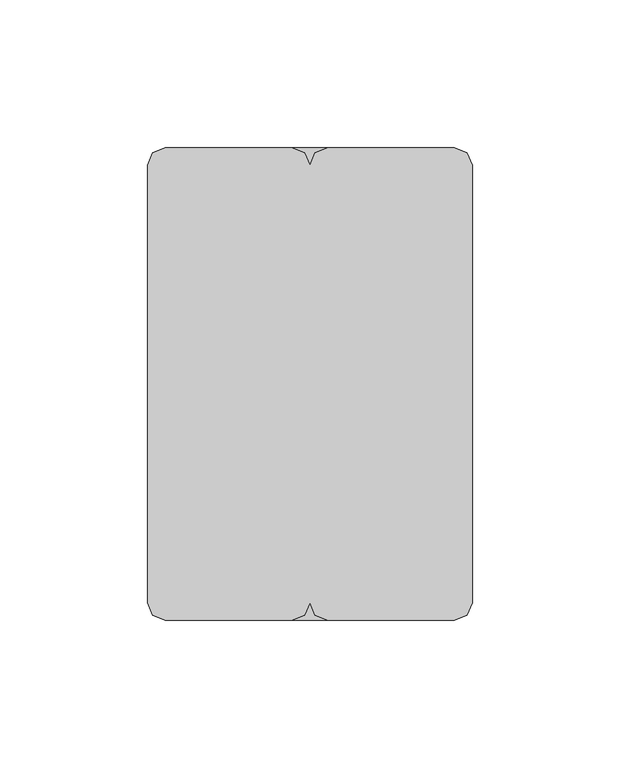
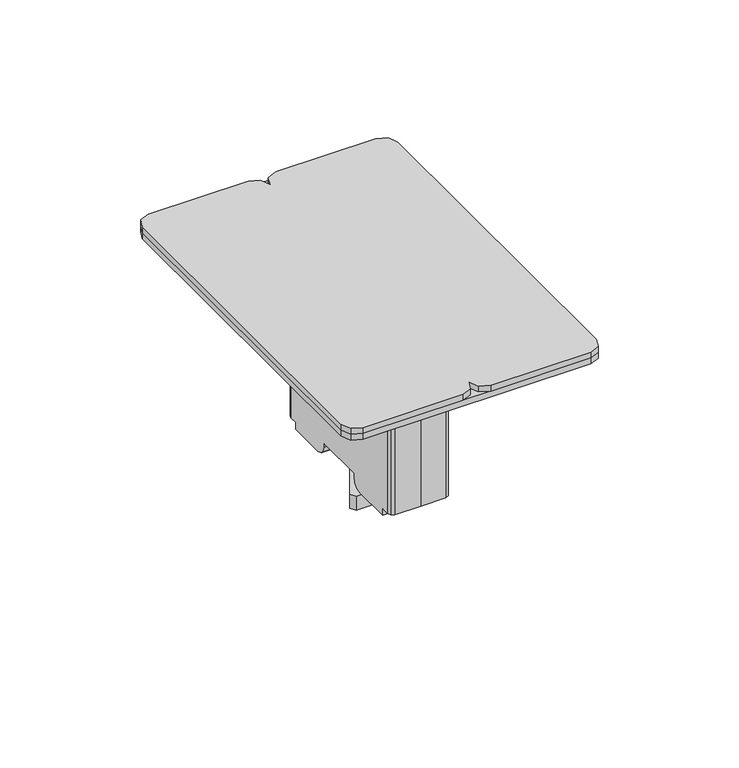
"""IFC4 building model written with IfcOpenShell, lengths in millimetres: furniture geometry."""

from ifc_helpers import new_model, si_unit, frame, origin, place, context, project, spatial, polyline, outline, extrude, faceted_brep, source, transform, mapped, element, save


def furniture_1c666d4e(model_context):
    return source(origin(), model_context, "Body", "SolidModel", [
        faceted_brep([(-13.0000002, -32.3457341, 721.2458742), (13.0000002, -32.3457341, 721.2458742), (13.0000002, -35.953122, 721.2458742), (12.4331176, -37.3481745, 721.2458742), (11.0538266, -37.9523959, 721.2458742), (0.0, -38.2499999, 721.2458742), (-11.0538266, -37.9523959, 721.2458742), (-12.4331176, -37.3481745, 721.2458742), (-13.0000002, -35.953122, 721.2458742), (13.0000002, 32.3316861, 721.2458742), (-13.0000002, 32.3316861, 721.2458742), (-13.0000002, 35.953122, 721.2458742), (-12.4331176, 37.3481745, 721.2458742), (-11.0538266, 37.9523959, 721.2458742), (0.0, 38.2499999, 721.2458742), (11.0538266, 37.9523959, 721.2458742), (12.4331176, 37.3481745, 721.2458742), (13.0000002, 35.953122, 721.2458742), (13.0000002, 32.3316861, 718.1103098), (-13.0000002, 32.3316861, 718.1103098), (13.0000002, 13.5059639, 718.7237171), (-13.0000002, 13.5059639, 718.7237171), (-13.0000002, 15.7670163, 718.1103098), (13.0000002, 15.7670163, 718.1103098), (13.0000002, 11.7633025, 720.4449783), (-13.0000002, 11.7633025, 720.4449783), (13.0000002, 11.147505, 722.8268824), (-13.0000002, 11.147505, 722.8268824), (13.0000002, 11.147505, 724.4458969), (-13.0000002, 11.147505, 724.4458969), (13.0000002, -11.1671157, 724.4458969), (-13.0000002, -11.1671157, 724.4458969), (13.0000002, -11.1671157, 722.8156912), (-13.0000002, -11.1671157, 722.8156912), (13.0000002, -11.7781419, 720.4502106), (-13.0000002, -11.7781419, 720.4502106), (13.0000002, -13.5152418, 718.7258245), (-13.0000002, -13.5152418, 718.7258245), (13.0000002, -15.7947705, 718.1103098), (-13.0000002, -15.7947705, 718.1103098), (-13.0000002, -32.3457341, 718.1103098), (13.0000002, -32.3457341, 718.1103098), (-11.0538266, 37.9523959, 794.2964298), (-12.4331176, 37.3481745, 794.2964298), (-13.0000002, 35.953122, 794.2964298), (-13.0000002, -35.953122, 794.2964298), (-12.4331176, -37.3481745, 794.2964298), (-11.0538266, -37.9523959, 794.2964298), (0.0, -38.2499999, 794.2964298), (11.0538266, -37.9523959, 794.2964298), (12.4331176, -37.3481745, 794.2964298), (13.0000002, -35.953122, 794.2964298), (13.0000002, 35.953122, 794.2964298), (12.4331176, 37.3481745, 794.2964298), (11.0538266, 37.9523959, 794.2964298), (0.0, 38.2499999, 794.2964298)], [[[0, 1, 2, 3, 4, 5, 6, 7, 8]], [[9, 10, 11, 12, 13, 14, 15, 16, 17]], [[10, 9, 18, 19]], [[20, 21, 22, 23]], [[21, 20, 24, 25]], [[25, 24, 26, 27]], [[27, 26, 28, 29]], [[29, 28, 30, 31]], [[31, 30, 32, 33]], [[33, 32, 34, 35]], [[35, 34, 36, 37]], [[37, 36, 38, 39]], [[1, 0, 40, 41]], [[42, 43, 44, 45, 46, 47, 48, 49, 50, 51, 52, 53, 54, 55]], [[18, 23, 22, 19]], [[38, 41, 40, 39]], [[43, 42, 13, 12]], [[44, 43, 12, 11]], [[45, 44, 11, 10, 19, 22, 21, 25, 27, 29, 31, 33, 35, 37, 39, 40, 0, 8]], [[46, 45, 8, 7]], [[47, 46, 7, 6]], [[48, 47, 6, 5]], [[49, 48, 5, 4]], [[50, 49, 4, 3]], [[51, 50, 3, 2]], [[52, 51, 2, 1, 41, 38, 36, 34, 32, 30, 28, 26, 24, 20, 23, 18, 9, 17]], [[53, 52, 17, 16]], [[54, 53, 16, 15]], [[55, 54, 15, 14]], [[42, 55, 14, 13]]]),
        extrude(outline(polyline([(-2.3807591, 10.3544041), (0.2588864, 11.8784049), (12.5772313, 11.8784049), (13.8970544, 9.5924048), (2.3807591, -10.3544041), (-0.2588864, -11.8784049), (-12.5772313, -11.8784049), (-13.8970544, -9.5924048), (-2.3807591, 10.3544041)])), frame((0.0, 0.0, 707.8726353), z_axis=(0.0, 0.0, 1.0), x_axis=(1.0, 0.0, 0.0)), (0.0, 0.0, 1.0), 6.3499758),
        extrude(outline(polyline([(-1.0271881, 3.8335182), (1.984375, 3.4370384), (3.8335182, 1.0271881), (3.4370384, -1.984375), (1.0271881, -3.8335182), (-1.984375, -3.4370384), (-3.8335182, -1.0271881), (-3.4370384, 1.984375), (-1.0271881, 3.8335182)])), frame((0.0, 0.0, 714.222611), z_axis=(0.0, 0.0, 1.0), x_axis=(1.0, 0.0, 0.0)), (0.0, 0.0, 1.0), 80.0738188),
        extrude(outline(polyline([(-6.0, 80.0000042), (-1.7573593, 78.2426442), (0.0, 73.999998), (1.7573593, 78.2426442), (6.0, 80.0000042), (48.9999978, 80.0000042), (53.2426395, 78.2426442), (54.9999995, 73.999998), (54.9999995, -73.999998), (53.2426395, -78.2426442), (48.9999978, -80.0000042), (6.0, -80.0000042), (1.7573593, -78.2426442), (0.0, -73.999998), (-1.7573593, -78.2426442), (-6.0, -80.0000042), (-48.9999978, -80.0000042), (-53.2426395, -78.2426442), (-54.9999995, -73.999998), (-54.9999995, 73.999998), (-53.2426395, 78.2426442), (-48.9999978, 80.0000042), (-6.0, 80.0000042)])), frame((0.0, 0.0, 796.9557878), z_axis=(0.0, 0.0, 1.0), x_axis=(1.0, 0.0, 0.0)), (0.0, 0.0, 1.0), 2.6616122),
        extrude(outline(polyline([(-48.9999978, 80.0000042), (48.9999978, 80.0000042), (53.2426395, 78.2426442), (54.9999995, 73.999998), (54.9999995, -73.999998), (53.2426395, -78.2426442), (48.9999978, -80.0000042), (-48.9999978, -80.0000042), (-53.2426395, -78.2426442), (-54.9999995, -73.999998), (-54.9999995, 73.999998), (-53.2426395, 78.2426442), (-48.9999978, 80.0000042)])), frame((0.0, 0.0, 794.2964298), z_axis=(0.0, 0.0, 1.0), x_axis=(1.0, 0.0, 0.0)), (0.0, 0.0, 1.0), 2.659358),
    ])


if __name__ == "__main__":
    model = new_model("IFC4")
    model_context = context("Model", 3, world=origin())
    ifc_project = project(units=[si_unit("LENGTHUNIT", "METRE", prefix="MILLI")], contexts=[model_context])
    site = spatial("IfcSite", under=ifc_project)
    building = spatial("IfcBuilding", under=site)
    placement = place(None, origin())
    furniture_shape = furniture_1c666d4e(model_context)
    element("IfcFurniture", 1, at=placement, inside=building, context=model_context, shape_type="MappedRepresentation", body=[
        mapped(furniture_shape, transform((0.0, 0.0, 0.0), x_axis=(1.0, 0.0, 0.0), y_axis=(0.0, 1.0, 0.0), z_axis=(0.0, 0.0, 1.0))),
    ])
    save(model, "model.ifc")
